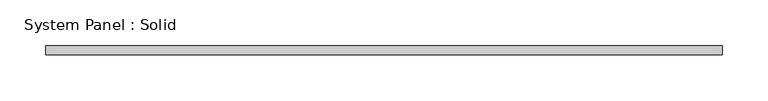
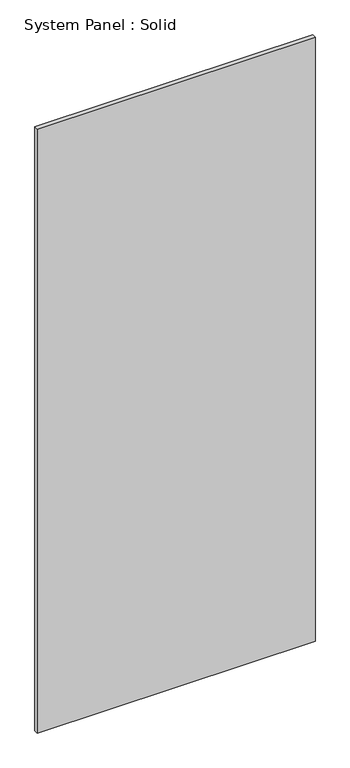
"""IFC4 building model written with IfcOpenShell, lengths in millimetres: plate geometry, System Panel : Solid."""

from ifc_helpers import new_model, si_unit, origin, origin_with_axes, place, context, project, spatial, polyline, outline, extrude, source, transform, mapped, element, save


def system_panel_solid_d0688d47(model_context):
    return source(origin(), model_context, "Body", "SweptSolid", [
        extrude(outline(polyline([(370.0, 95.0), (-370.0, 95.0), (-370.0, 105.0), (370.0, 105.0), (370.0, 95.0)])), origin_with_axes(), (0.0, 0.0, 1.0), 1700.0),
    ])


if __name__ == "__main__":
    model = new_model("IFC4")
    model_context = context("Model", 3, world=origin())
    ifc_project = project(units=[si_unit("LENGTHUNIT", "METRE", prefix="MILLI")], contexts=[model_context])
    site = spatial("IfcSite", under=ifc_project)
    building = spatial("IfcBuilding", under=site)
    placement = place(None, origin())
    system_panel_solid_shape = system_panel_solid_d0688d47(model_context)
    element("IfcPlate", 1, ObjectType="System Panel : Solid", at=placement, inside=building, context=model_context, shape_type="MappedRepresentation", body=[
        mapped(system_panel_solid_shape, transform((0.0, 0.0, 0.0), x_axis=(1.0, 0.0, 0.0), y_axis=(0.0, 1.0, 0.0), z_axis=(0.0, 0.0, 1.0))),
    ])
    save(model, "model.ifc")
